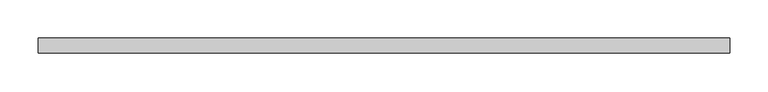
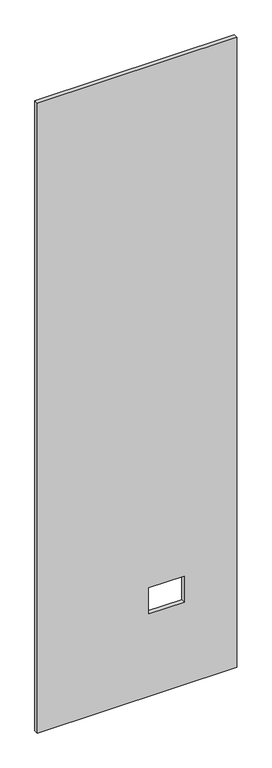
"""IFC4 building model written with IfcOpenShell, lengths in millimetres: proxy geometry."""

from ifc_helpers import new_model, si_unit, frame, origin, place, context, project, spatial, polyline, outline, extrude, source, transform, mapped, element, save


def specialty_equipment_63f2a556(model_context):
    return source(origin(), model_context, "Body", "SweptSolid", [
        extrude(outline(polyline([(2999.5368001, 448.9704), (2999.5368001, -448.9704), (3.175, -448.9704), (3.175, 448.9704), (2999.5368001, 448.9704)]), holes=[polyline([(518.9474, 211.8868), (395.4526, 211.8868), (395.4526, 51.3588), (518.9474, 51.3588), (518.9474, 211.8868)])]), frame((0.0, -9.525, 0.0), z_axis=(0.0, 1.0, 0.0), x_axis=(0.0, 0.0, 1.0)), (0.0, 0.0, 1.0), 19.05),
    ])


if __name__ == "__main__":
    model = new_model("IFC4")
    model_context = context("Model", 3, world=origin())
    ifc_project = project(units=[si_unit("LENGTHUNIT", "METRE", prefix="MILLI")], contexts=[model_context])
    site = spatial("IfcSite", under=ifc_project)
    building = spatial("IfcBuilding", under=site)
    placement = place(None, origin())
    specialty_equipment_shape = specialty_equipment_63f2a556(model_context)
    element("IfcBuildingElementProxy", 1, Name="Specialty Equipment", at=placement, inside=building, context=model_context, shape_type="MappedRepresentation", body=[
        mapped(specialty_equipment_shape, transform((0.0, 0.0, 0.0), x_axis=(1.0, 0.0, 0.0), y_axis=(0.0, 1.0, 0.0), z_axis=(0.0, 0.0, 1.0))),
    ])
    save(model, "model.ifc")
